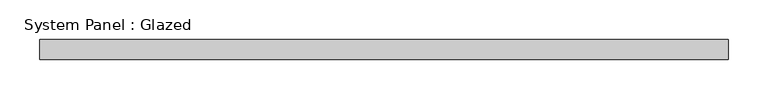
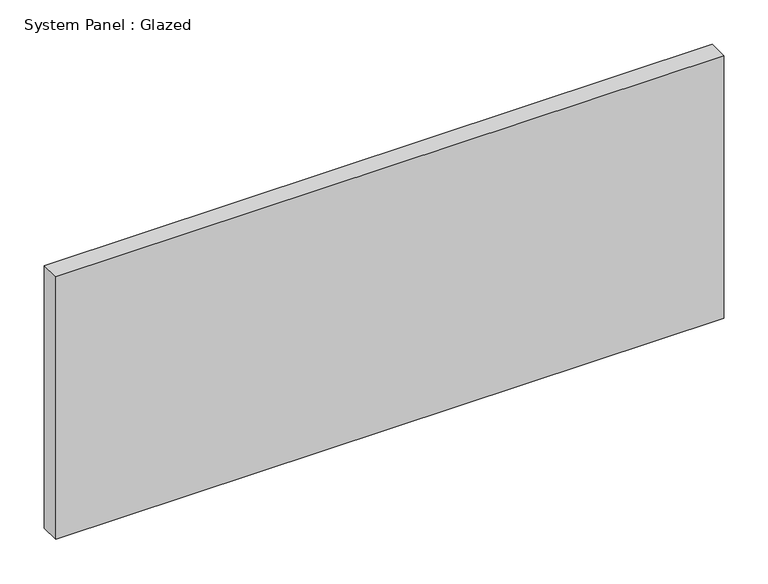
"""IFC4 building model written with IfcOpenShell, lengths in millimetres: plate geometry, System Panel : Glazed."""

from ifc_helpers import new_model, si_unit, origin, origin_with_axes, place, context, project, spatial, polyline, outline, extrude, source, transform, mapped, element, save


def system_panel_glazed_5563d182(model_context):
    return source(origin(), model_context, "Body", "SweptSolid", [
        extrude(outline(polyline([(434.975, -12.7), (-434.975, -12.7), (-434.975, 12.7), (434.975, 12.7), (434.975, -12.7)])), origin_with_axes(), (0.0, 0.0, 1.0), 361.45),
    ])


if __name__ == "__main__":
    model = new_model("IFC4")
    model_context = context("Model", 3, world=origin())
    ifc_project = project(units=[si_unit("LENGTHUNIT", "METRE", prefix="MILLI")], contexts=[model_context])
    site = spatial("IfcSite", under=ifc_project)
    building = spatial("IfcBuilding", under=site)
    placement = place(None, origin())
    system_panel_glazed_shape = system_panel_glazed_5563d182(model_context)
    element("IfcPlate", 1, ObjectType="System Panel : Glazed", at=placement, inside=building, context=model_context, shape_type="MappedRepresentation", body=[
        mapped(system_panel_glazed_shape, transform((0.0, 0.0, 0.0), x_axis=(1.0, 0.0, 0.0), y_axis=(0.0, 1.0, 0.0), z_axis=(0.0, 0.0, 1.0))),
    ])
    save(model, "model.ifc")
